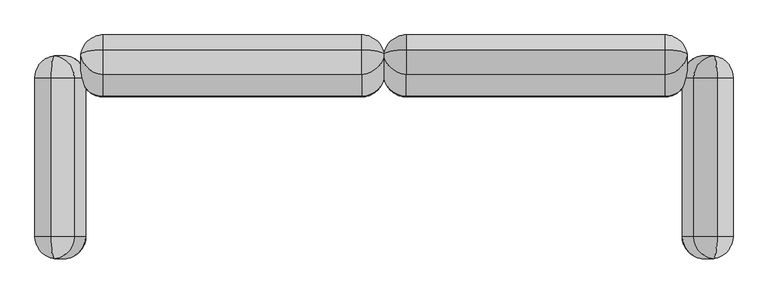
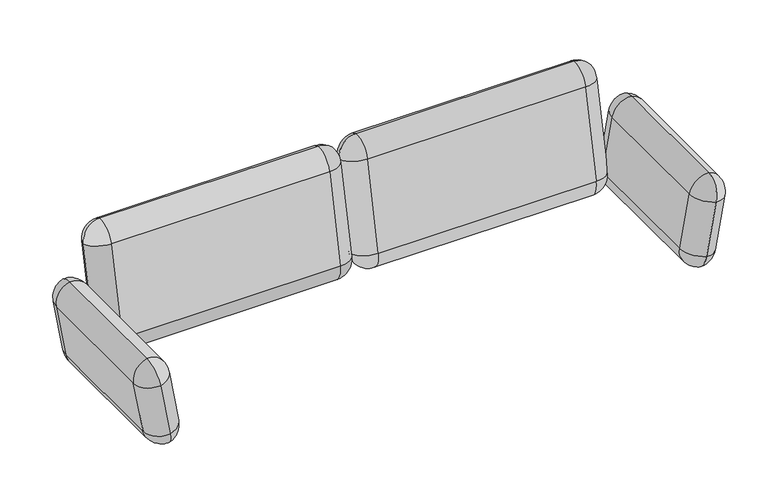
"""IFC4 building model written with IfcOpenShell, lengths in millimetres: furniture geometry."""

from ifc_helpers import new_model, si_unit, point, frame, origin, place, context, project, spatial, circle_curve, ellipse_curve, trimmed, source, transform, mapped, element, save
from ifc_brep_helpers import plane_surface, cylinder_surface, revolved_surface, advanced_brep


def furniture_703b8dbd(model_context):
    return source(origin(), model_context, "Body", "AdvancedBrep", [
        advanced_brep(
        [(1129.6636247, 285.0, 218.4071938), (1073.4606654, 285.0, 308.6475398), (1073.6152382, 285.8901491, 309.5241655), (1143.5554789, 365.0, 297.191814), (1114.4192428, 285.8901491, 540.935175), (1184.3594836, 365.0, 528.6028235), (1114.5738156, 285.0, 541.8118007), (1198.2513378, 285.0, 607.3874438), (1114.5738156, -285.0, 541.8118007), (1198.2513378, -285.0, 607.3874438), (1114.4192428, -285.8901491, 540.935175), (1184.3594836, -365.0, 528.6028235), (1073.6152382, -285.8901491, 309.5241655), (1143.5554789, -365.0, 297.191814), (1073.4606654, -285.0, 308.6475398), (1129.6636247, -285.0, 218.4071938), (1213.3411469, 285.0, 283.9828368), (1213.4957197, 285.8901491, 284.8594625), (1254.2997243, 285.8901491, 516.270472), (1254.4542971, 285.0, 517.1470978), (1254.4542971, -285.0, 517.1470978), (1254.2997243, -285.8901491, 516.270472), (1213.4957197, -285.8901491, 284.8594625), (1213.3411469, -285.0, 283.9828368)],
        [
            (0, 1, circle_curve(frame((1151.8225124, 285.0, 294.8302319), z_axis=(0.0, 1.0, 0.0), x_axis=(-0.1736481776668833, 0.0, -0.9848077530122163)), 79.5707048)),
            (1, 2, circle_curve(frame((1073.6152382, 285.0, 309.5241655), z_axis=(0.9848077530122163, 0.0, -0.17364817766688334), x_axis=(-0.17364817766688334, 0.0, -0.9848077530122163)), 0.8901491)),
            (2, 3, circle_curve(frame((1151.9770851, 285.8901491, 295.7068576), z_axis=(-0.17364817766688337, 0.0, -0.9848077530122163), x_axis=(0.0, 1.0, 0.0)), 79.5707048)),
            (3, 0, circle_curve(frame((1143.5554789, 285.0, 297.191814), z_axis=(-0.9848077530122163, 0.0, 0.17364817766688334), x_axis=(-0.17364817766688334, 0.0, -0.9848077530122163)), 80.0)),
            (2, 4),
            (4, 5, circle_curve(frame((1192.7810898, 285.8901491, 527.1178671), z_axis=(-0.17364817766688334, 0.0, -0.9848077530122163), x_axis=(0.0, 1.0, 0.0)), 79.5707048)),
            (5, 3),
            (4, 6, circle_curve(frame((1114.4192428, 285.0, 540.935175), z_axis=(0.9848077530122163, 0.0, -0.17364817766688334), x_axis=(0.0, 1.0, 0.0)), 0.8901491)),
            (6, 7, circle_curve(frame((1192.9356625, 285.0, 527.9944929), z_axis=(0.0, 1.0, 0.0), x_axis=(0.17364817766688334, 0.0, 0.9848077530122163)), 79.5707048)),
            (7, 5, circle_curve(frame((1184.3594836, 285.0, 528.6028235), z_axis=(-0.9848077530122163, 0.0, 0.17364817766688334), x_axis=(0.0, 1.0, 0.0)), 80.0)),
            (6, 8),
            (8, 9, circle_curve(frame((1192.9356625, -285.0, 527.9944929), z_axis=(0.0, 1.0, 0.0), x_axis=(0.17364817766688334, 0.0, 0.9848077530122163)), 79.5707048)),
            (9, 7),
            (8, 10, circle_curve(frame((1114.4192428, -285.0, 540.935175), z_axis=(0.9848077530122163, 0.0, -0.17364817766688334), x_axis=(0.17364817766688334, 0.0, 0.9848077530122163)), 0.8901491)),
            (10, 11, circle_curve(frame((1192.7810898, -285.8901491, 527.1178671), z_axis=(0.17364817766688334, 0.0, 0.9848077530122163), x_axis=(0.0, -1.0, 0.0)), 79.5707048)),
            (11, 9, circle_curve(frame((1184.3594836, -285.0, 528.6028235), z_axis=(-0.9848077530122163, 0.0, 0.17364817766688334), x_axis=(0.17364817766688334, 0.0, 0.9848077530122163)), 80.0)),
            (10, 12),
            (12, 13, circle_curve(frame((1151.9770851, -285.8901491, 295.7068576), z_axis=(0.17364817766688334, 0.0, 0.9848077530122163), x_axis=(0.0, -1.0, 0.0)), 79.5707048)),
            (13, 11),
            (12, 14, circle_curve(frame((1073.6152382, -285.0, 309.5241655), z_axis=(0.9848077530122163, 0.0, -0.17364817766688334), x_axis=(0.0, -1.0, 0.0)), 0.8901491)),
            (14, 15, circle_curve(frame((1151.8225124, -285.0, 294.8302319), z_axis=(0.0, -1.0, 0.0), x_axis=(-0.17364817766688334, 0.0, -0.9848077530122163)), 79.5707048)),
            (15, 13, circle_curve(frame((1143.5554789, -285.0, 297.191814), z_axis=(-0.9848077530122163, 0.0, 0.17364817766688334), x_axis=(0.0, -1.0, 0.0)), 80.0)),
            (0, 15),
            (14, 1),
            (16, 0, circle_curve(frame((1134.9793, 285.0, 297.8001447), z_axis=(0.0, 1.0, 0.0), x_axis=(-0.17364817766689283, 0.0, -0.9848077530122147)), 79.5707048)),
            (3, 17, circle_curve(frame((1135.1338727, 285.8901491, 298.6767704), z_axis=(-0.1736481776668929, 0.0, -0.9848077530122147), x_axis=(0.0, 1.0, 0.0)), 79.5707048)),
            (17, 16, circle_curve(frame((1213.4957197, 285.0, 284.8594625), z_axis=(-0.9848077530122147, 0.0, 0.1736481776668929), x_axis=(-0.1736481776668929, 0.0, -0.9848077530122147)), 0.8901491)),
            (5, 18, circle_curve(frame((1175.9378774, 285.8901491, 530.0877799), z_axis=(-0.17364817766689292, 0.0, -0.9848077530122147), x_axis=(0.0, 1.0, 0.0)), 79.5707048)),
            (18, 17),
            (7, 19, circle_curve(frame((1176.0924501, 285.0, 530.9644057), z_axis=(0.0, 1.0, 0.0), x_axis=(0.17364817766689294, 0.0, 0.9848077530122147)), 79.5707048)),
            (19, 18, circle_curve(frame((1254.2997243, 285.0, 516.270472), z_axis=(-0.9848077530122147, 0.0, 0.1736481776668929), x_axis=(0.0, 1.0, 0.0)), 0.8901491)),
            (9, 20, circle_curve(frame((1176.0924501, -285.0, 530.9644057), z_axis=(0.0, 1.0, 0.0), x_axis=(0.17364817766689294, 0.0, 0.9848077530122147)), 79.5707048)),
            (20, 19),
            (11, 21, circle_curve(frame((1175.9378774, -285.8901491, 530.0877799), z_axis=(0.17364817766689286, 0.0, 0.9848077530122147), x_axis=(0.0, -1.0, 0.0)), 79.5707048)),
            (21, 20, circle_curve(frame((1254.2997243, -285.0, 516.270472), z_axis=(-0.9848077530122147, 0.0, 0.1736481776668929), x_axis=(0.1736481776668929, 0.0, 0.9848077530122147)), 0.8901491)),
            (13, 22, circle_curve(frame((1135.1338727, -285.8901491, 298.6767704), z_axis=(0.17364817766689286, 0.0, 0.9848077530122147), x_axis=(0.0, -1.0, 0.0)), 79.5707048)),
            (22, 21),
            (15, 23, circle_curve(frame((1134.9793, -285.0, 297.8001447), z_axis=(0.0, -1.0, 0.0), x_axis=(-0.17364817766689283, 0.0, -0.9848077530122147)), 79.5707048)),
            (23, 22, circle_curve(frame((1213.4957197, -285.0, 284.8594625), z_axis=(-0.9848077530122147, 0.0, 0.1736481776668929), x_axis=(0.0, -1.0, 0.0)), 0.8901491)),
            (16, 23),
        ],
        [
            revolved_surface(trimmed(ellipse_curve(frame((1151.8225124, 285.0, 294.8302319), z_axis=(0.0, -1.0, 0.0), x_axis=(-0.1736481776668833, 0.0, -0.9848077530122163)), 79.5707048, 79.5707048), [point((1073.4606654, 285.0, 308.6475398))], [point((1129.6636247, 285.0, 218.4071938))], True, "CARTESIAN"), (1450.8343882, 285.0, 243.0102517), (0.9848077530122163, 0.0, -0.17364817766688334)),
            cylinder_surface(frame((1151.9770851, 285.8901491, 295.7068576), z_axis=(-0.17364817766688334, 0.0, -0.9848077530122163), x_axis=(0.0, 1.0, 0.0)), 79.5707048),
            revolved_surface(trimmed(ellipse_curve(frame((1192.7810898, 285.8901491, 527.1178671), z_axis=(-0.17364817766688334, 0.0, -0.9848077530122163), x_axis=(0.0, 1.0, 0.0)), 79.5707048, 79.5707048), [point((1114.4192428, 285.8901491, 540.935175))], [point((1184.3594836, 365.0, 528.6028235))], True, "CARTESIAN"), (1491.6383928, 285.0, 474.4212612), (0.9848077530122163, 0.0, -0.17364817766688334)),
            cylinder_surface(frame((1192.9356625, 285.0, 527.9944929), z_axis=(0.0, 1.0, 0.0), x_axis=(0.17364817766688334, 0.0, 0.9848077530122163)), 79.5707048),
            revolved_surface(trimmed(ellipse_curve(frame((1192.9356625, -285.0, 527.9944929), z_axis=(0.0, 1.0, 0.0), x_axis=(0.17364817766688334, 0.0, 0.9848077530122163)), 79.5707048, 79.5707048), [point((1114.5738156, -285.0, 541.8118007))], [point((1198.2513378, -285.0, 607.3874438))], True, "CARTESIAN"), (1491.6383928, -285.0, 474.4212612), (0.9848077530122163, 0.0, -0.17364817766688334)),
            cylinder_surface(frame((1192.7810898, -285.8901491, 527.1178671), z_axis=(0.17364817766688334, 0.0, 0.9848077530122163), x_axis=(0.0, -1.0, 0.0)), 79.5707048),
            revolved_surface(trimmed(ellipse_curve(frame((1151.9770851, -285.8901491, 295.7068576), z_axis=(0.17364817766688334, 0.0, 0.9848077530122163), x_axis=(0.0, -1.0, 0.0)), 79.5707048, 79.5707048), [point((1073.6152382, -285.8901491, 309.5241655))], [point((1143.5554789, -365.0, 297.191814))], True, "CARTESIAN"), (1450.8343882, -285.0, 243.0102517), (0.9848077530122163, 0.0, -0.17364817766688334)),
            cylinder_surface(frame((1151.8225124, -285.0, 294.8302319), z_axis=(0.0, -1.0, 0.0), x_axis=(-0.17364817766688334, 0.0, -0.9848077530122163)), 79.5707048),
            revolved_surface(trimmed(ellipse_curve(frame((1134.9793, 285.0, 297.8001447), z_axis=(0.0, -1.0, 0.0), x_axis=(-0.17364817766689283, 0.0, -0.9848077530122147)), 79.5707048, 79.5707048), [point((1129.6636247, 285.0, 218.4071938))], [point((1213.3411469, 285.0, 283.9828368))], True, "CARTESIAN"), (822.8248041, 285.0, 353.7452855), (0.9848077530122147, 0.0, -0.1736481776668929)),
            cylinder_surface(frame((1135.1338727, 285.8901491, 298.6767704), z_axis=(-0.17364817766689292, 0.0, -0.9848077530122147), x_axis=(0.0, 1.0, 0.0)), 79.5707048),
            revolved_surface(trimmed(ellipse_curve(frame((1175.9378774, 285.8901491, 530.0877799), z_axis=(-0.17364817766689292, 0.0, -0.9848077530122147), x_axis=(0.0, 1.0, 0.0)), 79.5707048, 79.5707048), [point((1184.3594836, 365.0, 528.6028235))], [point((1254.2997243, 285.8901491, 516.270472))], True, "CARTESIAN"), (863.6288087, 285.0, 585.1562951), (0.9848077530122147, 0.0, -0.1736481776668929)),
            cylinder_surface(frame((1176.0924501, 285.0, 530.9644057), z_axis=(0.0, 1.0, 0.0), x_axis=(0.17364817766689294, 0.0, 0.9848077530122147)), 79.5707048),
            revolved_surface(trimmed(ellipse_curve(frame((1176.0924501, -285.0, 530.9644057), z_axis=(0.0, 1.0, 0.0), x_axis=(0.17364817766689294, 0.0, 0.9848077530122147)), 79.5707048, 79.5707048), [point((1198.2513378, -285.0, 607.3874438))], [point((1254.4542971, -285.0, 517.1470978))], True, "CARTESIAN"), (863.6288087, -285.0, 585.1562951), (0.9848077530122147, 0.0, -0.1736481776668929)),
            cylinder_surface(frame((1175.9378774, -285.8901491, 530.0877799), z_axis=(0.17364817766689286, 0.0, 0.9848077530122147), x_axis=(0.0, -1.0, 0.0)), 79.5707048),
            revolved_surface(trimmed(ellipse_curve(frame((1135.1338727, -285.8901491, 298.6767704), z_axis=(0.17364817766689286, 0.0, 0.9848077530122147), x_axis=(0.0, -1.0, 0.0)), 79.5707048, 79.5707048), [point((1143.5554789, -365.0, 297.191814))], [point((1213.4957197, -285.8901491, 284.8594625))], True, "CARTESIAN"), (822.8248041, -285.0, 353.7452855), (0.9848077530122147, 0.0, -0.1736481776668929)),
            cylinder_surface(frame((1134.9793, -285.0, 297.8001447), z_axis=(0.0, -1.0, 0.0), x_axis=(-0.17364817766689283, 0.0, -0.9848077530122147)), 79.5707048),
            plane_surface(frame((1114.5738156, -285.0, 541.8118007), z_axis=(-0.984807753012217, 0.0, 0.17364817766687948), x_axis=(0.0, 1.0, 0.0))),
            plane_surface(frame((1254.4542971, -285.0, 517.1470978), z_axis=(0.984807753012217, 0.0, -0.17364817766687948), x_axis=(0.0, -1.0, 0.0))),
        ],
        [
            (0, [[1, 2, 3, 4]]),
            (1, [[-3, 5, 6, 7]]),
            (2, [[-6, 8, 9, 10]]),
            (3, [[-9, 11, 12, 13]]),
            (4, [[-12, 14, 15, 16]]),
            (5, [[-15, 17, 18, 19]]),
            (6, [[-18, 20, 21, 22]]),
            (7, [[-1, 23, -21, 24]]),
            (8, [[25, -4, 26, 27]]),
            (9, [[-26, -7, 28, 29]]),
            (10, [[-28, -10, 30, 31]]),
            (11, [[-30, -13, 32, 33]]),
            (12, [[-32, -16, 34, 35]]),
            (13, [[-34, -19, 36, 37]]),
            (14, [[-36, -22, 38, 39]]),
            (15, [[-25, 40, -38, -23]]),
            (16, [[-2, -24, -20, -17, -14, -11, -8, -5]]),
            (17, [[-27, -29, -31, -33, -35, -37, -39, -40]]),
        ],
    ),
        advanced_brep(
        [(-80.0, 218.4698557, 328.0392388), (-80.0, 271.4892351, 235.8924098), (0.0, 288.1221703, 314.1442178), (-79.1098509, 218.6549281, 328.909936), (0.0, 368.1641996, 690.7123589), (-79.1098509, 298.6969574, 705.4780771), (-80.0, 384.7971349, 768.964167), (-80.0, 298.8820298, 706.3487743), (-1010.0, 384.7971349, 768.964167), (-1010.0, 298.8820298, 706.3487743), (-1090.0, 368.1641996, 690.7123589), (-1010.8901491, 298.6969574, 705.4780771), (-1090.0, 288.1221703, 314.1442178), (-1010.8901491, 218.6549281, 328.909936), (-1010.0, 271.4892351, 235.8924098), (-1010.0, 218.4698557, 328.0392388), (-79.1098509, 357.5894125, 299.3784997), (-80.0, 357.4043401, 298.5078025), (-1010.0, 357.4043401, 298.5078025), (-1010.8901491, 357.5894125, 299.3784997), (-1010.8901491, 437.6314418, 675.9466408), (-1010.0, 437.8165142, 676.8173379), (-80.0, 437.8165142, 676.8173379), (-79.1098509, 437.6314418, 675.9466408)],
        [
            (0, 1, circle_curve(frame((-80.0, 296.3017497, 311.495559), z_axis=(1.0000000000000002, 0.0, 0.0), x_axis=(0.0, -0.20791169081775307, -0.978147600733807)), 79.5707048)),
            (1, 2, circle_curve(frame((-80.0, 288.1221703, 314.1442178), z_axis=(0.0, -0.978147600733807, 0.20791169081775313), x_axis=(0.0, -0.20791169081775313, -0.978147600733807)), 80.0)),
            (2, 3, circle_curve(frame((-79.1098509, 296.4868221, 312.3662562), z_axis=(0.0, -0.20791169081775313, -0.978147600733807), x_axis=(1.0000000000000002, 0.0, 0.0)), 79.5707048)),
            (3, 0, circle_curve(frame((-80.0, 218.6549281, 328.909936), z_axis=(0.0, 0.978147600733807, -0.20791169081775313), x_axis=(0.0, -0.20791169081775313, -0.978147600733807)), 0.8901491)),
            (2, 4),
            (4, 5, circle_curve(frame((-79.1098509, 376.5288514, 688.9343973), z_axis=(0.0, -0.20791169081775313, -0.9781476007338071), x_axis=(1.0, 0.0, 0.0)), 79.5707048)),
            (5, 3),
            (4, 6, circle_curve(frame((-80.0, 368.1641996, 690.7123589), z_axis=(0.0, -0.978147600733807, 0.20791169081775313), x_axis=(1.0, 0.0, 0.0)), 80.0)),
            (6, 7, circle_curve(frame((-80.0, 376.7139238, 689.8050945), z_axis=(1.0, 0.0, 0.0), x_axis=(0.0, 0.20791169081775315, 0.978147600733807)), 79.5707048)),
            (7, 5, circle_curve(frame((-80.0, 298.6969574, 705.4780771), z_axis=(0.0, 0.978147600733807, -0.20791169081775313), x_axis=(1.0, 0.0, 0.0)), 0.8901491)),
            (6, 8),
            (8, 9, circle_curve(frame((-1010.0, 376.7139238, 689.8050945), z_axis=(1.0, 0.0, 0.0), x_axis=(0.0, 0.20791169081775315, 0.978147600733807)), 79.5707048)),
            (9, 7),
            (8, 10, circle_curve(frame((-1010.0, 368.1641996, 690.7123589), z_axis=(0.0, -0.978147600733807, 0.20791169081775313), x_axis=(0.0, 0.20791169081775313, 0.978147600733807)), 80.0)),
            (10, 11, circle_curve(frame((-1010.8901491, 376.5288514, 688.9343973), z_axis=(0.0, 0.20791169081775318, 0.978147600733807), x_axis=(-1.0000000000000002, 0.0, 0.0)), 79.5707048)),
            (11, 9, circle_curve(frame((-1010.0, 298.6969574, 705.4780771), z_axis=(0.0, 0.978147600733807, -0.20791169081775313), x_axis=(0.0, 0.20791169081775313, 0.978147600733807)), 0.8901491)),
            (10, 12),
            (12, 13, circle_curve(frame((-1010.8901491, 296.4868221, 312.3662562), z_axis=(0.0, 0.20791169081775318, 0.9781476007338071), x_axis=(-1.0, 0.0, 0.0)), 79.5707048)),
            (13, 11),
            (12, 14, circle_curve(frame((-1010.0, 288.1221703, 314.1442178), z_axis=(0.0, -0.978147600733807, 0.20791169081775313), x_axis=(-1.0, 0.0, 0.0)), 80.0)),
            (14, 15, circle_curve(frame((-1010.0, 296.3017497, 311.495559), z_axis=(-1.0, 0.0, 0.0), x_axis=(0.0, -0.20791169081775307, -0.978147600733807)), 79.5707048)),
            (15, 13, circle_curve(frame((-1010.0, 218.6549281, 328.909936), z_axis=(0.0, 0.978147600733807, -0.20791169081775313), x_axis=(-1.0, 0.0, 0.0)), 0.8901491)),
            (0, 15),
            (14, 1),
            (16, 17, circle_curve(frame((-80.0, 357.5894125, 299.3784997), z_axis=(0.0, 0.978147600733805, -0.2079116908177626), x_axis=(0.0, -0.2079116908177626, -0.978147600733805)), 0.8901491)),
            (17, 18),
            (18, 19, circle_curve(frame((-1010.0, 357.5894125, 299.3784997), z_axis=(0.0, 0.978147600733805, -0.2079116908177626), x_axis=(-1.0, 0.0, 0.0)), 0.8901491)),
            (19, 20),
            (20, 21, circle_curve(frame((-1010.0, 437.6314418, 675.9466408), z_axis=(0.0, 0.978147600733805, -0.2079116908177626), x_axis=(0.0, 0.2079116908177626, 0.978147600733805)), 0.8901491)),
            (21, 22),
            (22, 23, circle_curve(frame((-80.0, 437.6314418, 675.9466408), z_axis=(0.0, 0.978147600733805, -0.2079116908177626), x_axis=(1.0, 0.0, 0.0)), 0.8901491)),
            (23, 16),
            (1, 17, circle_curve(frame((-80.0, 279.5724462, 315.0514822), z_axis=(1.0000000000000002, 0.0, 0.0), x_axis=(0.0, -0.20791169081776262, -0.978147600733805)), 79.5707048)),
            (16, 2, circle_curve(frame((-79.1098509, 279.7575186, 315.9221794), z_axis=(0.0, -0.20791169081776253, -0.978147600733805), x_axis=(1.0000000000000002, 0.0, 0.0)), 79.5707048)),
            (23, 4, circle_curve(frame((-79.1098509, 359.7995479, 692.4903205), z_axis=(0.0, -0.2079116908177625, -0.978147600733805), x_axis=(1.0, 0.0, 0.0)), 79.5707048)),
            (22, 6, circle_curve(frame((-80.0, 359.9846203, 693.3610177), z_axis=(1.0, 0.0, 0.0), x_axis=(0.0, 0.20791169081776256, 0.978147600733805)), 79.5707048)),
            (21, 8, circle_curve(frame((-1010.0, 359.9846203, 693.3610177), z_axis=(1.0, 0.0, 0.0), x_axis=(0.0, 0.20791169081776256, 0.978147600733805)), 79.5707048)),
            (20, 10, circle_curve(frame((-1010.8901491, 359.7995479, 692.4903205), z_axis=(0.0, 0.20791169081776267, 0.978147600733805), x_axis=(-1.0000000000000002, 0.0, 0.0)), 79.5707048)),
            (19, 12, circle_curve(frame((-1010.8901491, 279.7575186, 315.9221794), z_axis=(0.0, 0.20791169081776262, 0.978147600733805), x_axis=(-1.0, 0.0, 0.0)), 79.5707048)),
            (18, 14, circle_curve(frame((-1010.0, 279.5724462, 315.0514822), z_axis=(-1.0, 0.0, 0.0), x_axis=(0.0, -0.20791169081776256, -0.978147600733805)), 79.5707048)),
        ],
        [
            revolved_surface(trimmed(ellipse_curve(frame((-80.0, 296.3017497, 311.495559), z_axis=(-1.0000000000000002, 0.0, 0.0), x_axis=(0.0, -0.20791169081775307, -0.978147600733807)), 79.5707048, 79.5707048), [point((-80.0, 271.4892351, 235.8924098))], [point((-80.0, 218.4698557, 328.0392388))], True, "CARTESIAN"), (-80.0, 593.3229843, 249.2717822), (0.0, -0.978147600733807, 0.20791169081775313)),
            cylinder_surface(frame((-79.1098509, 296.4868221, 312.3662562), z_axis=(0.0, -0.20791169081775307, -0.9781476007338069), x_axis=(1.0, 0.0, 0.0)), 79.5707048),
            revolved_surface(trimmed(ellipse_curve(frame((-79.1098509, 376.5288514, 688.9343973), z_axis=(0.0, -0.2079116908177531, -0.978147600733807), x_axis=(1.0, 0.0, 0.0)), 79.5707048, 79.5707048), [point((0.0, 368.1641996, 690.7123589))], [point((-79.1098509, 298.6969574, 705.4780771))], True, "CARTESIAN"), (-80.0, 673.3650136, 625.8399233), (0.0, -0.978147600733807, 0.20791169081775313)),
            cylinder_surface(frame((-80.0, 376.7139238, 689.8050945), z_axis=(1.0000000000000002, 0.0, 0.0), x_axis=(0.0, 0.20791169081775315, 0.978147600733807)), 79.5707048),
            revolved_surface(trimmed(ellipse_curve(frame((-1010.0, 376.7139238, 689.8050945), z_axis=(1.0000000000000002, 0.0, 0.0), x_axis=(0.0, 0.20791169081775315, 0.978147600733807)), 79.5707048, 79.5707048), [point((-1010.0, 384.7971349, 768.964167))], [point((-1010.0, 298.8820298, 706.3487743))], True, "CARTESIAN"), (-1010.0, 673.3650136, 625.8399233), (0.0, -0.978147600733807, 0.20791169081775313)),
            cylinder_surface(frame((-1010.8901491, 376.5288514, 688.9343973), z_axis=(0.0, 0.20791169081775313, 0.9781476007338069), x_axis=(-1.0, 0.0, 0.0)), 79.5707048),
            revolved_surface(trimmed(ellipse_curve(frame((-1010.8901491, 296.4868221, 312.3662562), z_axis=(0.0, 0.20791169081775315, 0.978147600733807), x_axis=(-1.0, 0.0, 0.0)), 79.5707048, 79.5707048), [point((-1090.0, 288.1221703, 314.1442178))], [point((-1010.8901491, 218.6549281, 328.909936))], True, "CARTESIAN"), (-1010.0, 593.3229843, 249.2717822), (0.0, -0.978147600733807, 0.20791169081775313)),
            cylinder_surface(frame((-1010.0, 296.3017497, 311.495559), z_axis=(-1.0, 0.0, 0.0), x_axis=(0.0, -0.20791169081775307, -0.978147600733807)), 79.5707048),
            plane_surface(frame((-1010.8901491, 197.863759, 231.0951759), z_axis=(0.0, -0.9781476007338078, 0.20791169081774927), x_axis=(0.0, -0.20791169081774927, -0.9781476007338078))),
            plane_surface(frame((-1010.8901491, 336.7982434, 201.5637396), z_axis=(0.0, 0.9781476007338078, -0.20791169081774927), x_axis=(0.0, 0.20791169081774927, 0.9781476007338078))),
            revolved_surface(trimmed(ellipse_curve(frame((-80.0, 279.5724462, 315.0514822), z_axis=(-1.0000000000000002, 0.0, 0.0), x_axis=(0.0, -0.20791169081776262, -0.978147600733805)), 79.5707048, 79.5707048), [point((-80.0, 357.4043401, 298.5078025))], [point((-80.0, 271.4892351, 235.8924098))], True, "CARTESIAN"), (-80.0, -30.4394364, 381.8565776), (0.0, -0.978147600733805, 0.2079116908177626)),
            cylinder_surface(frame((-79.1098509, 279.7575186, 315.9221794), z_axis=(0.0, -0.2079116908177625, -0.978147600733805), x_axis=(1.0, 0.0, 0.0)), 79.5707048),
            revolved_surface(trimmed(ellipse_curve(frame((-79.1098509, 359.7995479, 692.4903205), z_axis=(0.0, -0.2079116908177625, -0.978147600733805), x_axis=(1.0, 0.0, 0.0)), 79.5707048, 79.5707048), [point((-79.1098509, 437.6314418, 675.9466408))], [point((0.0, 368.1641996, 690.7123589))], True, "CARTESIAN"), (-80.0, 49.6025929, 758.4247187), (0.0, -0.978147600733805, 0.2079116908177626)),
            cylinder_surface(frame((-80.0, 359.9846203, 693.3610177), z_axis=(1.0000000000000002, 0.0, 0.0), x_axis=(0.0, 0.20791169081776256, 0.978147600733805)), 79.5707048),
            revolved_surface(trimmed(ellipse_curve(frame((-1010.0, 359.9846203, 693.3610177), z_axis=(1.0000000000000002, 0.0, 0.0), x_axis=(0.0, 0.20791169081776256, 0.978147600733805)), 79.5707048, 79.5707048), [point((-1010.0, 437.8165142, 676.8173379))], [point((-1010.0, 384.7971349, 768.964167))], True, "CARTESIAN"), (-1010.0, 49.6025929, 758.4247187), (0.0, -0.978147600733805, 0.2079116908177626)),
            cylinder_surface(frame((-1010.8901491, 359.7995479, 692.4903205), z_axis=(0.0, 0.20791169081776262, 0.978147600733805), x_axis=(-1.0, 0.0, 0.0)), 79.5707048),
            revolved_surface(trimmed(ellipse_curve(frame((-1010.8901491, 279.7575186, 315.9221794), z_axis=(0.0, 0.20791169081776262, 0.978147600733805), x_axis=(-1.0, 0.0, 0.0)), 79.5707048, 79.5707048), [point((-1010.8901491, 357.5894125, 299.3784997))], [point((-1090.0, 288.1221703, 314.1442178))], True, "CARTESIAN"), (-1010.0, -30.4394364, 381.8565776), (0.0, -0.978147600733805, 0.2079116908177626)),
            cylinder_surface(frame((-1010.0, 279.5724462, 315.0514822), z_axis=(-1.0000000000000002, 0.0, 0.0), x_axis=(0.0, -0.20791169081776256, -0.978147600733805)), 79.5707048),
        ],
        [
            (0, [[1, 2, 3, 4]]),
            (1, [[-3, 5, 6, 7]]),
            (2, [[-6, 8, 9, 10]]),
            (3, [[-9, 11, 12, 13]]),
            (4, [[-12, 14, 15, 16]]),
            (5, [[-15, 17, 18, 19]]),
            (6, [[-18, 20, 21, 22]]),
            (7, [[-1, 23, -21, 24]]),
            (8, [[-4, -7, -10, -13, -16, -19, -22, -23]]),
            (9, [[25, 26, 27, 28, 29, 30, 31, 32]]),
            (10, [[33, -25, 34, -2]]),
            (11, [[-34, -32, 35, -5]]),
            (12, [[-35, -31, 36, -8]]),
            (13, [[-36, -30, 37, -11]]),
            (14, [[-37, -29, 38, -14]]),
            (15, [[-38, -28, 39, -17]]),
            (16, [[-39, -27, 40, -20]]),
            (17, [[-33, -24, -40, -26]]),
        ],
    ),
        advanced_brep(
        [(80.0, 271.4892351, 235.8924098), (80.0, 218.4698557, 328.0392388), (79.1098509, 218.6549281, 328.909936), (0.0, 288.1221703, 314.1442178), (79.1098509, 298.6969574, 705.4780771), (0.0, 368.1641996, 690.7123589), (80.0, 298.8820298, 706.3487743), (80.0, 384.7971349, 768.964167), (1010.0, 298.8820298, 706.3487743), (1010.0, 384.7971349, 768.964167), (1010.8901491, 298.6969574, 705.4780771), (1090.0, 368.1641996, 690.7123589), (1010.8901491, 218.6549281, 328.909936), (1090.0, 288.1221703, 314.1442178), (1010.0, 218.4698557, 328.0392388), (1010.0, 271.4892351, 235.8924098), (80.0, 357.4043401, 298.5078025), (79.1098509, 357.5894125, 299.3784997), (79.1098509, 437.6314418, 675.9466408), (80.0, 437.8165142, 676.8173379), (1010.0, 437.8165142, 676.8173379), (1010.8901491, 437.6314418, 675.9466408), (1010.8901491, 357.5894125, 299.3784997), (1010.0, 357.4043401, 298.5078025)],
        [
            (0, 1, circle_curve(frame((80.0, 296.3017497, 311.495559), z_axis=(-1.0000000000000002, 0.0, 0.0), x_axis=(0.0, -0.2079116908177531, -0.978147600733807)), 79.5707048)),
            (1, 2, circle_curve(frame((80.0, 218.6549281, 328.909936), z_axis=(0.0, 0.978147600733807, -0.20791169081775313), x_axis=(0.0, -0.20791169081775313, -0.978147600733807)), 0.8901491)),
            (2, 3, circle_curve(frame((79.1098509, 296.4868221, 312.3662562), z_axis=(0.0, -0.20791169081775313, -0.978147600733807), x_axis=(-1.0000000000000002, 0.0, 0.0)), 79.5707048)),
            (3, 0, circle_curve(frame((80.0, 288.1221703, 314.1442178), z_axis=(0.0, -0.978147600733807, 0.20791169081775313), x_axis=(0.0, -0.20791169081775313, -0.978147600733807)), 80.0)),
            (2, 4),
            (4, 5, circle_curve(frame((79.1098509, 376.5288514, 688.9343973), z_axis=(0.0, -0.20791169081775313, -0.9781476007338071), x_axis=(-1.0, 0.0, 0.0)), 79.5707048)),
            (5, 3),
            (4, 6, circle_curve(frame((80.0, 298.6969574, 705.4780771), z_axis=(0.0, 0.978147600733807, -0.20791169081775313), x_axis=(-1.0, 0.0, 0.0)), 0.8901491)),
            (6, 7, circle_curve(frame((80.0, 376.7139238, 689.8050945), z_axis=(-1.0, 0.0, 0.0), x_axis=(0.0, 0.20791169081775313, 0.978147600733807)), 79.5707048)),
            (7, 5, circle_curve(frame((80.0, 368.1641996, 690.7123589), z_axis=(0.0, -0.978147600733807, 0.20791169081775313), x_axis=(-1.0, 0.0, 0.0)), 80.0)),
            (6, 8),
            (8, 9, circle_curve(frame((1010.0, 376.7139238, 689.8050945), z_axis=(-1.0, 0.0, 0.0), x_axis=(0.0, 0.20791169081775313, 0.978147600733807)), 79.5707048)),
            (9, 7),
            (8, 10, circle_curve(frame((1010.0, 298.6969574, 705.4780771), z_axis=(0.0, 0.978147600733807, -0.20791169081775313), x_axis=(0.0, 0.20791169081775313, 0.978147600733807)), 0.8901491)),
            (10, 11, circle_curve(frame((1010.8901491, 376.5288514, 688.9343973), z_axis=(0.0, 0.20791169081775318, 0.978147600733807), x_axis=(1.0000000000000002, 0.0, 0.0)), 79.5707048)),
            (11, 9, circle_curve(frame((1010.0, 368.1641996, 690.7123589), z_axis=(0.0, -0.978147600733807, 0.20791169081775313), x_axis=(0.0, 0.20791169081775313, 0.978147600733807)), 80.0)),
            (10, 12),
            (12, 13, circle_curve(frame((1010.8901491, 296.4868221, 312.3662562), z_axis=(0.0, 0.20791169081775318, 0.9781476007338071), x_axis=(1.0, 0.0, 0.0)), 79.5707048)),
            (13, 11),
            (12, 14, circle_curve(frame((1010.0, 218.6549281, 328.909936), z_axis=(0.0, 0.978147600733807, -0.20791169081775313), x_axis=(1.0, 0.0, 0.0)), 0.8901491)),
            (14, 15, circle_curve(frame((1010.0, 296.3017497, 311.495559), z_axis=(1.0, 0.0, 0.0), x_axis=(0.0, -0.20791169081775307, -0.978147600733807)), 79.5707048)),
            (15, 13, circle_curve(frame((1010.0, 288.1221703, 314.1442178), z_axis=(0.0, -0.978147600733807, 0.20791169081775313), x_axis=(1.0, 0.0, 0.0)), 80.0)),
            (0, 15),
            (14, 1),
            (16, 0, circle_curve(frame((80.0, 279.5724462, 315.0514822), z_axis=(-1.0000000000000002, 0.0, 0.0), x_axis=(0.0, -0.20791169081776262, -0.978147600733805)), 79.5707048)),
            (3, 17, circle_curve(frame((79.1098509, 279.7575186, 315.9221794), z_axis=(0.0, -0.20791169081776253, -0.978147600733805), x_axis=(-1.0000000000000002, 0.0, 0.0)), 79.5707048)),
            (17, 16, circle_curve(frame((80.0, 357.5894125, 299.3784997), z_axis=(0.0, -0.978147600733805, 0.2079116908177626), x_axis=(0.0, -0.2079116908177626, -0.978147600733805)), 0.8901491)),
            (5, 18, circle_curve(frame((79.1098509, 359.7995479, 692.4903205), z_axis=(0.0, -0.2079116908177625, -0.978147600733805), x_axis=(-1.0, 0.0, 0.0)), 79.5707048)),
            (18, 17),
            (7, 19, circle_curve(frame((80.0, 359.9846203, 693.3610177), z_axis=(-1.0, 0.0, 0.0), x_axis=(0.0, 0.20791169081776256, 0.978147600733805)), 79.5707048)),
            (19, 18, circle_curve(frame((80.0, 437.6314418, 675.9466408), z_axis=(0.0, -0.978147600733805, 0.2079116908177626), x_axis=(-1.0, 0.0, 0.0)), 0.8901491)),
            (9, 20, circle_curve(frame((1010.0, 359.9846203, 693.3610177), z_axis=(-1.0, 0.0, 0.0), x_axis=(0.0, 0.20791169081776256, 0.978147600733805)), 79.5707048)),
            (20, 19),
            (11, 21, circle_curve(frame((1010.8901491, 359.7995479, 692.4903205), z_axis=(0.0, 0.20791169081776267, 0.978147600733805), x_axis=(1.0000000000000002, 0.0, 0.0)), 79.5707048)),
            (21, 20, circle_curve(frame((1010.0, 437.6314418, 675.9466408), z_axis=(0.0, -0.978147600733805, 0.2079116908177626), x_axis=(0.0, 0.2079116908177626, 0.978147600733805)), 0.8901491)),
            (13, 22, circle_curve(frame((1010.8901491, 279.7575186, 315.9221794), z_axis=(0.0, 0.20791169081776262, 0.978147600733805), x_axis=(1.0, 0.0, 0.0)), 79.5707048)),
            (22, 21),
            (15, 23, circle_curve(frame((1010.0, 279.5724462, 315.0514822), z_axis=(1.0, 0.0, 0.0), x_axis=(0.0, -0.20791169081776256, -0.978147600733805)), 79.5707048)),
            (23, 22, circle_curve(frame((1010.0, 357.5894125, 299.3784997), z_axis=(0.0, -0.978147600733805, 0.2079116908177626), x_axis=(1.0, 0.0, 0.0)), 0.8901491)),
            (16, 23),
        ],
        [
            revolved_surface(trimmed(ellipse_curve(frame((80.0, 296.3017497, 311.495559), z_axis=(1.0000000000000002, 0.0, 0.0), x_axis=(0.0, -0.2079116908177531, -0.978147600733807)), 79.5707048, 79.5707048), [point((80.0, 218.4698557, 328.0392388))], [point((80.0, 271.4892351, 235.8924098))], True, "CARTESIAN"), (80.0, 593.3229843, 249.2717822), (0.0, 0.978147600733807, -0.20791169081775313)),
            cylinder_surface(frame((79.1098509, 296.4868221, 312.3662562), z_axis=(0.0, -0.20791169081775307, -0.9781476007338069), x_axis=(-1.0, 0.0, 0.0)), 79.5707048),
            revolved_surface(trimmed(ellipse_curve(frame((79.1098509, 376.5288514, 688.9343973), z_axis=(0.0, -0.2079116908177531, -0.978147600733807), x_axis=(-1.0, 0.0, 0.0)), 79.5707048, 79.5707048), [point((79.1098509, 298.6969574, 705.4780771))], [point((0.0, 368.1641996, 690.7123589))], True, "CARTESIAN"), (80.0, 673.3650136, 625.8399233), (0.0, 0.978147600733807, -0.20791169081775313)),
            cylinder_surface(frame((80.0, 376.7139238, 689.8050945), z_axis=(-1.0000000000000002, 0.0, 0.0), x_axis=(0.0, 0.20791169081775313, 0.978147600733807)), 79.5707048),
            revolved_surface(trimmed(ellipse_curve(frame((1010.0, 376.7139238, 689.8050945), z_axis=(-1.0000000000000002, 0.0, 0.0), x_axis=(0.0, 0.20791169081775313, 0.978147600733807)), 79.5707048, 79.5707048), [point((1010.0, 298.8820298, 706.3487743))], [point((1010.0, 384.7971349, 768.964167))], True, "CARTESIAN"), (1010.0, 673.3650136, 625.8399233), (0.0, 0.978147600733807, -0.20791169081775313)),
            cylinder_surface(frame((1010.8901491, 376.5288514, 688.9343973), z_axis=(0.0, 0.20791169081775313, 0.9781476007338069), x_axis=(1.0, 0.0, 0.0)), 79.5707048),
            revolved_surface(trimmed(ellipse_curve(frame((1010.8901491, 296.4868221, 312.3662562), z_axis=(0.0, 0.20791169081775315, 0.978147600733807), x_axis=(1.0, 0.0, 0.0)), 79.5707048, 79.5707048), [point((1010.8901491, 218.6549281, 328.909936))], [point((1090.0, 288.1221703, 314.1442178))], True, "CARTESIAN"), (1010.0, 593.3229843, 249.2717822), (0.0, 0.978147600733807, -0.20791169081775313)),
            cylinder_surface(frame((1010.0, 296.3017497, 311.495559), z_axis=(1.0, 0.0, 0.0), x_axis=(0.0, -0.20791169081775307, -0.978147600733807)), 79.5707048),
            revolved_surface(trimmed(ellipse_curve(frame((80.0, 279.5724462, 315.0514822), z_axis=(1.0000000000000002, 0.0, 0.0), x_axis=(0.0, -0.20791169081776262, -0.978147600733805)), 79.5707048, 79.5707048), [point((80.0, 271.4892351, 235.8924098))], [point((80.0, 357.4043401, 298.5078025))], True, "CARTESIAN"), (80.0, -30.4394364, 381.8565776), (0.0, 0.978147600733805, -0.2079116908177626)),
            cylinder_surface(frame((79.1098509, 279.7575186, 315.9221794), z_axis=(0.0, -0.2079116908177625, -0.978147600733805), x_axis=(-1.0, 0.0, 0.0)), 79.5707048),
            revolved_surface(trimmed(ellipse_curve(frame((79.1098509, 359.7995479, 692.4903205), z_axis=(0.0, -0.2079116908177625, -0.978147600733805), x_axis=(-1.0, 0.0, 0.0)), 79.5707048, 79.5707048), [point((0.0, 368.1641996, 690.7123589))], [point((79.1098509, 437.6314418, 675.9466408))], True, "CARTESIAN"), (80.0, 49.6025929, 758.4247187), (0.0, 0.978147600733805, -0.2079116908177626)),
            cylinder_surface(frame((80.0, 359.9846203, 693.3610177), z_axis=(-1.0000000000000002, 0.0, 0.0), x_axis=(0.0, 0.20791169081776256, 0.978147600733805)), 79.5707048),
            revolved_surface(trimmed(ellipse_curve(frame((1010.0, 359.9846203, 693.3610177), z_axis=(-1.0000000000000002, 0.0, 0.0), x_axis=(0.0, 0.20791169081776256, 0.978147600733805)), 79.5707048, 79.5707048), [point((1010.0, 384.7971349, 768.964167))], [point((1010.0, 437.8165142, 676.8173379))], True, "CARTESIAN"), (1010.0, 49.6025929, 758.4247187), (0.0, 0.978147600733805, -0.2079116908177626)),
            cylinder_surface(frame((1010.8901491, 359.7995479, 692.4903205), z_axis=(0.0, 0.20791169081776262, 0.978147600733805), x_axis=(1.0, 0.0, 0.0)), 79.5707048),
            revolved_surface(trimmed(ellipse_curve(frame((1010.8901491, 279.7575186, 315.9221794), z_axis=(0.0, 0.20791169081776262, 0.978147600733805), x_axis=(1.0, 0.0, 0.0)), 79.5707048, 79.5707048), [point((1090.0, 288.1221703, 314.1442178))], [point((1010.8901491, 357.5894125, 299.3784997))], True, "CARTESIAN"), (1010.0, -30.4394364, 381.8565776), (0.0, 0.978147600733805, -0.2079116908177626)),
            cylinder_surface(frame((1010.0, 279.5724462, 315.0514822), z_axis=(1.0000000000000002, 0.0, 0.0), x_axis=(0.0, -0.20791169081776256, -0.978147600733805)), 79.5707048),
            plane_surface(frame((1010.0, 298.8820298, 706.3487743), z_axis=(0.0, -0.9781476007338078, 0.20791169081774924), x_axis=(-1.0, 0.0, 0.0))),
            plane_surface(frame((1010.0, 437.8165142, 676.8173379), z_axis=(0.0, 0.9781476007338078, -0.20791169081774924), x_axis=(1.0, 0.0, 0.0))),
        ],
        [
            (0, [[1, 2, 3, 4]]),
            (1, [[-3, 5, 6, 7]]),
            (2, [[-6, 8, 9, 10]]),
            (3, [[-9, 11, 12, 13]]),
            (4, [[-12, 14, 15, 16]]),
            (5, [[-15, 17, 18, 19]]),
            (6, [[-18, 20, 21, 22]]),
            (7, [[-1, 23, -21, 24]]),
            (8, [[25, -4, 26, 27]]),
            (9, [[-26, -7, 28, 29]]),
            (10, [[-28, -10, 30, 31]]),
            (11, [[-30, -13, 32, 33]]),
            (12, [[-32, -16, 34, 35]]),
            (13, [[-34, -19, 36, 37]]),
            (14, [[-36, -22, 38, 39]]),
            (15, [[-25, 40, -38, -23]]),
            (16, [[-2, -24, -20, -17, -14, -11, -8, -5]]),
            (17, [[-27, -29, -31, -33, -35, -37, -39, -40]]),
        ],
    ),
        advanced_brep(
        [(-1129.6636247, 285.0, 218.4071938), (-1213.3411469, 285.0, 283.9828368), (-1213.4957197, 285.8901491, 284.8594625), (-1143.5554789, 365.0, 297.191814), (-1254.2997243, 285.8901491, 516.270472), (-1184.3594836, 365.0, 528.6028235), (-1254.4542971, 285.0, 517.1470978), (-1198.2513378, 285.0, 607.3874438), (-1254.4542971, -285.0, 517.1470978), (-1198.2513378, -285.0, 607.3874438), (-1254.2997243, -285.8901491, 516.270472), (-1184.3594836, -365.0, 528.6028235), (-1213.4957197, -285.8901491, 284.8594625), (-1143.5554789, -365.0, 297.191814), (-1213.3411469, -285.0, 283.9828368), (-1129.6636247, -285.0, 218.4071938), (-1073.4606654, 285.0, 308.6475398), (-1073.6152382, 285.8901491, 309.5241655), (-1114.4192428, 285.8901491, 540.935175), (-1114.5738156, 285.0, 541.8118007), (-1114.5738156, -285.0, 541.8118007), (-1114.4192428, -285.8901491, 540.935175), (-1073.6152382, -285.8901491, 309.5241655), (-1073.4606654, -285.0, 308.6475398)],
        [
            (0, 1, circle_curve(frame((-1134.9793, 285.0, 297.8001447), z_axis=(0.0, 1.0, 0.0), x_axis=(0.17364817766689283, 0.0, -0.9848077530122147)), 79.5707048)),
            (1, 2, circle_curve(frame((-1213.4957197, 285.0, 284.8594625), z_axis=(0.9848077530122147, 0.0, 0.1736481776668929), x_axis=(0.1736481776668929, 0.0, -0.9848077530122147)), 0.8901491)),
            (2, 3, circle_curve(frame((-1135.1338727, 285.8901491, 298.6767704), z_axis=(0.17364817766689292, 0.0, -0.9848077530122147), x_axis=(0.0, 1.0, 0.0)), 79.5707048)),
            (3, 0, circle_curve(frame((-1143.5554789, 285.0, 297.191814), z_axis=(-0.9848077530122147, 0.0, -0.1736481776668929), x_axis=(0.1736481776668929, 0.0, -0.9848077530122147)), 80.0)),
            (2, 4),
            (4, 5, circle_curve(frame((-1175.9378774, 285.8901491, 530.0877799), z_axis=(0.17364817766689294, 0.0, -0.9848077530122147), x_axis=(0.0, 1.0, 0.0)), 79.5707048)),
            (5, 3),
            (4, 6, circle_curve(frame((-1254.2997243, 285.0, 516.270472), z_axis=(0.9848077530122147, 0.0, 0.1736481776668929), x_axis=(0.0, 1.0, 0.0)), 0.8901491)),
            (6, 7, circle_curve(frame((-1176.0924501, 285.0, 530.9644057), z_axis=(0.0, 1.0, 0.0), x_axis=(-0.17364817766689294, 0.0, 0.9848077530122147)), 79.5707048)),
            (7, 5, circle_curve(frame((-1184.3594836, 285.0, 528.6028235), z_axis=(-0.9848077530122147, 0.0, -0.1736481776668929), x_axis=(0.0, 1.0, 0.0)), 80.0)),
            (6, 8),
            (8, 9, circle_curve(frame((-1176.0924501, -285.0, 530.9644057), z_axis=(0.0, 1.0, 0.0), x_axis=(-0.17364817766689294, 0.0, 0.9848077530122147)), 79.5707048)),
            (9, 7),
            (8, 10, circle_curve(frame((-1254.2997243, -285.0, 516.270472), z_axis=(0.9848077530122147, 0.0, 0.1736481776668929), x_axis=(-0.1736481776668929, 0.0, 0.9848077530122147)), 0.8901491)),
            (10, 11, circle_curve(frame((-1175.9378774, -285.8901491, 530.0877799), z_axis=(-0.17364817766689283, 0.0, 0.9848077530122147), x_axis=(0.0, -1.0, 0.0)), 79.5707048)),
            (11, 9, circle_curve(frame((-1184.3594836, -285.0, 528.6028235), z_axis=(-0.9848077530122147, 0.0, -0.1736481776668929), x_axis=(-0.1736481776668929, 0.0, 0.9848077530122147)), 80.0)),
            (10, 12),
            (12, 13, circle_curve(frame((-1135.1338727, -285.8901491, 298.6767704), z_axis=(-0.17364817766689283, 0.0, 0.9848077530122147), x_axis=(0.0, -1.0, 0.0)), 79.5707048)),
            (13, 11),
            (12, 14, circle_curve(frame((-1213.4957197, -285.0, 284.8594625), z_axis=(0.9848077530122147, 0.0, 0.1736481776668929), x_axis=(0.0, -1.0, 0.0)), 0.8901491)),
            (14, 15, circle_curve(frame((-1134.9793, -285.0, 297.8001447), z_axis=(0.0, -1.0, 0.0), x_axis=(0.17364817766689283, 0.0, -0.9848077530122147)), 79.5707048)),
            (15, 13, circle_curve(frame((-1143.5554789, -285.0, 297.191814), z_axis=(-0.9848077530122147, 0.0, -0.1736481776668929), x_axis=(0.0, -1.0, 0.0)), 80.0)),
            (0, 15),
            (14, 1),
            (16, 0, circle_curve(frame((-1151.8225124, 285.0, 294.8302319), z_axis=(0.0, 1.0, 0.0), x_axis=(0.17364817766688334, 0.0, -0.9848077530122163)), 79.5707048)),
            (3, 17, circle_curve(frame((-1151.9770851, 285.8901491, 295.7068576), z_axis=(0.17364817766688337, 0.0, -0.9848077530122163), x_axis=(0.0, 1.0, 0.0)), 79.5707048)),
            (17, 16, circle_curve(frame((-1073.6152382, 285.0, 309.5241655), z_axis=(-0.9848077530122163, 0.0, -0.17364817766688334), x_axis=(0.17364817766688334, 0.0, -0.9848077530122163)), 0.8901491)),
            (5, 18, circle_curve(frame((-1192.7810898, 285.8901491, 527.1178671), z_axis=(0.17364817766688334, 0.0, -0.9848077530122163), x_axis=(0.0, 1.0, 0.0)), 79.5707048)),
            (18, 17),
            (7, 19, circle_curve(frame((-1192.9356625, 285.0, 527.9944929), z_axis=(0.0, 1.0, 0.0), x_axis=(-0.1736481776668833, 0.0, 0.9848077530122163)), 79.5707048)),
            (19, 18, circle_curve(frame((-1114.4192428, 285.0, 540.935175), z_axis=(-0.9848077530122163, 0.0, -0.17364817766688334), x_axis=(0.0, 1.0, 0.0)), 0.8901491)),
            (9, 20, circle_curve(frame((-1192.9356625, -285.0, 527.9944929), z_axis=(0.0, 1.0, 0.0), x_axis=(-0.1736481776668833, 0.0, 0.9848077530122163)), 79.5707048)),
            (20, 19),
            (11, 21, circle_curve(frame((-1192.7810898, -285.8901491, 527.1178671), z_axis=(-0.17364817766688334, 0.0, 0.9848077530122163), x_axis=(0.0, -1.0, 0.0)), 79.5707048)),
            (21, 20, circle_curve(frame((-1114.4192428, -285.0, 540.935175), z_axis=(-0.9848077530122163, 0.0, -0.17364817766688334), x_axis=(-0.17364817766688334, 0.0, 0.9848077530122163)), 0.8901491)),
            (13, 22, circle_curve(frame((-1151.9770851, -285.8901491, 295.7068576), z_axis=(-0.17364817766688334, 0.0, 0.9848077530122163), x_axis=(0.0, -1.0, 0.0)), 79.5707048)),
            (22, 21),
            (15, 23, circle_curve(frame((-1151.8225124, -285.0, 294.8302319), z_axis=(0.0, -1.0, 0.0), x_axis=(0.17364817766688337, 0.0, -0.9848077530122163)), 79.5707048)),
            (23, 22, circle_curve(frame((-1073.6152382, -285.0, 309.5241655), z_axis=(-0.9848077530122163, 0.0, -0.17364817766688334), x_axis=(0.0, -1.0, 0.0)), 0.8901491)),
            (16, 23),
        ],
        [
            revolved_surface(trimmed(ellipse_curve(frame((-1134.9793, 285.0, 297.8001447), z_axis=(0.0, -1.0, 0.0), x_axis=(0.17364817766689283, 0.0, -0.9848077530122147)), 79.5707048, 79.5707048), [point((-1213.3411469, 285.0, 283.9828368))], [point((-1129.6636247, 285.0, 218.4071938))], True, "CARTESIAN"), (-822.8248041, 285.0, 353.7452855), (0.9848077530122147, 0.0, 0.1736481776668929)),
            cylinder_surface(frame((-1135.1338727, 285.8901491, 298.6767704), z_axis=(0.17364817766689294, 0.0, -0.9848077530122147), x_axis=(0.0, 1.0, 0.0)), 79.5707048),
            revolved_surface(trimmed(ellipse_curve(frame((-1175.9378774, 285.8901491, 530.0877799), z_axis=(0.17364817766689294, 0.0, -0.9848077530122147), x_axis=(0.0, 1.0, 0.0)), 79.5707048, 79.5707048), [point((-1254.2997243, 285.8901491, 516.270472))], [point((-1184.3594836, 365.0, 528.6028235))], True, "CARTESIAN"), (-863.6288087, 285.0, 585.1562951), (0.9848077530122147, 0.0, 0.1736481776668929)),
            cylinder_surface(frame((-1176.0924501, 285.0, 530.9644057), z_axis=(0.0, 1.0, 0.0), x_axis=(-0.17364817766689294, 0.0, 0.9848077530122147)), 79.5707048),
            revolved_surface(trimmed(ellipse_curve(frame((-1176.0924501, -285.0, 530.9644057), z_axis=(0.0, 1.0, 0.0), x_axis=(-0.17364817766689294, 0.0, 0.9848077530122147)), 79.5707048, 79.5707048), [point((-1254.4542971, -285.0, 517.1470978))], [point((-1198.2513378, -285.0, 607.3874438))], True, "CARTESIAN"), (-863.6288087, -285.0, 585.1562951), (0.9848077530122147, 0.0, 0.1736481776668929)),
            cylinder_surface(frame((-1175.9378774, -285.8901491, 530.0877799), z_axis=(-0.17364817766689283, 0.0, 0.9848077530122147), x_axis=(0.0, -1.0, 0.0)), 79.5707048),
            revolved_surface(trimmed(ellipse_curve(frame((-1135.1338727, -285.8901491, 298.6767704), z_axis=(-0.17364817766689283, 0.0, 0.9848077530122147), x_axis=(0.0, -1.0, 0.0)), 79.5707048, 79.5707048), [point((-1213.4957197, -285.8901491, 284.8594625))], [point((-1143.5554789, -365.0, 297.191814))], True, "CARTESIAN"), (-822.8248041, -285.0, 353.7452855), (0.9848077530122147, 0.0, 0.1736481776668929)),
            cylinder_surface(frame((-1134.9793, -285.0, 297.8001447), z_axis=(0.0, -1.0, 0.0), x_axis=(0.17364817766689283, 0.0, -0.9848077530122147)), 79.5707048),
            revolved_surface(trimmed(ellipse_curve(frame((-1151.8225124, 285.0, 294.8302319), z_axis=(0.0, -1.0, 0.0), x_axis=(0.17364817766688334, 0.0, -0.9848077530122163)), 79.5707048, 79.5707048), [point((-1129.6636247, 285.0, 218.4071938))], [point((-1073.4606654, 285.0, 308.6475398))], True, "CARTESIAN"), (-1450.8343882, 285.0, 243.0102517), (0.9848077530122163, 0.0, 0.17364817766688334)),
            cylinder_surface(frame((-1151.9770851, 285.8901491, 295.7068576), z_axis=(0.17364817766688334, 0.0, -0.9848077530122163), x_axis=(0.0, 1.0, 0.0)), 79.5707048),
            revolved_surface(trimmed(ellipse_curve(frame((-1192.7810898, 285.8901491, 527.1178671), z_axis=(0.17364817766688334, 0.0, -0.9848077530122163), x_axis=(0.0, 1.0, 0.0)), 79.5707048, 79.5707048), [point((-1184.3594836, 365.0, 528.6028235))], [point((-1114.4192428, 285.8901491, 540.935175))], True, "CARTESIAN"), (-1491.6383928, 285.0, 474.4212612), (0.9848077530122163, 0.0, 0.17364817766688334)),
            cylinder_surface(frame((-1192.9356625, 285.0, 527.9944929), z_axis=(0.0, 1.0, 0.0), x_axis=(-0.1736481776668833, 0.0, 0.9848077530122163)), 79.5707048),
            revolved_surface(trimmed(ellipse_curve(frame((-1192.9356625, -285.0, 527.9944929), z_axis=(0.0, 1.0, 0.0), x_axis=(-0.1736481776668833, 0.0, 0.9848077530122163)), 79.5707048, 79.5707048), [point((-1198.2513378, -285.0, 607.3874438))], [point((-1114.5738156, -285.0, 541.8118007))], True, "CARTESIAN"), (-1491.6383928, -285.0, 474.4212612), (0.9848077530122163, 0.0, 0.17364817766688334)),
            cylinder_surface(frame((-1192.7810898, -285.8901491, 527.1178671), z_axis=(-0.17364817766688334, 0.0, 0.9848077530122163), x_axis=(0.0, -1.0, 0.0)), 79.5707048),
            revolved_surface(trimmed(ellipse_curve(frame((-1151.9770851, -285.8901491, 295.7068576), z_axis=(-0.17364817766688334, 0.0, 0.9848077530122163), x_axis=(0.0, -1.0, 0.0)), 79.5707048, 79.5707048), [point((-1143.5554789, -365.0, 297.191814))], [point((-1073.6152382, -285.8901491, 309.5241655))], True, "CARTESIAN"), (-1450.8343882, -285.0, 243.0102517), (0.9848077530122163, 0.0, 0.17364817766688334)),
            cylinder_surface(frame((-1151.8225124, -285.0, 294.8302319), z_axis=(0.0, -1.0, 0.0), x_axis=(0.1736481776668834, 0.0, -0.9848077530122163)), 79.5707048),
            plane_surface(frame((-1030.2031938, -285.8901491, 63.3222272), z_axis=(0.984807753012217, 0.0, 0.17364817766687948), x_axis=(0.17364817766687948, 0.0, -0.984807753012217))),
            plane_surface(frame((-1170.0836753, -285.8901491, 38.6575243), z_axis=(-0.984807753012217, 0.0, -0.17364817766687948), x_axis=(-0.17364817766687948, 0.0, 0.984807753012217))),
        ],
        [
            (0, [[1, 2, 3, 4]]),
            (1, [[-3, 5, 6, 7]]),
            (2, [[-6, 8, 9, 10]]),
            (3, [[-9, 11, 12, 13]]),
            (4, [[-12, 14, 15, 16]]),
            (5, [[-15, 17, 18, 19]]),
            (6, [[-18, 20, 21, 22]]),
            (7, [[-1, 23, -21, 24]]),
            (8, [[25, -4, 26, 27]]),
            (9, [[-26, -7, 28, 29]]),
            (10, [[-28, -10, 30, 31]]),
            (11, [[-30, -13, 32, 33]]),
            (12, [[-32, -16, 34, 35]]),
            (13, [[-34, -19, 36, 37]]),
            (14, [[-36, -22, 38, 39]]),
            (15, [[-25, 40, -38, -23]]),
            (16, [[-27, -29, -31, -33, -35, -37, -39, -40]]),
            (17, [[-2, -24, -20, -17, -14, -11, -8, -5]]),
        ],
    ),
    ])


if __name__ == "__main__":
    model = new_model("IFC4")
    model_context = context("Model", 3, world=origin())
    ifc_project = project(units=[si_unit("LENGTHUNIT", "METRE", prefix="MILLI")], contexts=[model_context])
    site = spatial("IfcSite", under=ifc_project)
    building = spatial("IfcBuilding", under=site)
    placement = place(None, origin())
    furniture_shape = furniture_703b8dbd(model_context)
    element("IfcFurniture", 1, at=placement, inside=building, context=model_context, shape_type="MappedRepresentation", body=[
        mapped(furniture_shape, transform((0.0, 0.0, 0.0), x_axis=(1.0, 0.0, 0.0), y_axis=(0.0, 1.0, 0.0), z_axis=(0.0, 0.0, 1.0))),
    ])
    save(model, "model.ifc")
